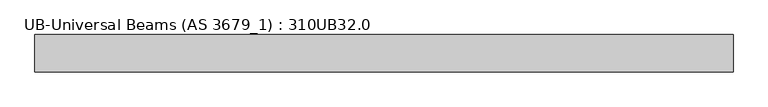
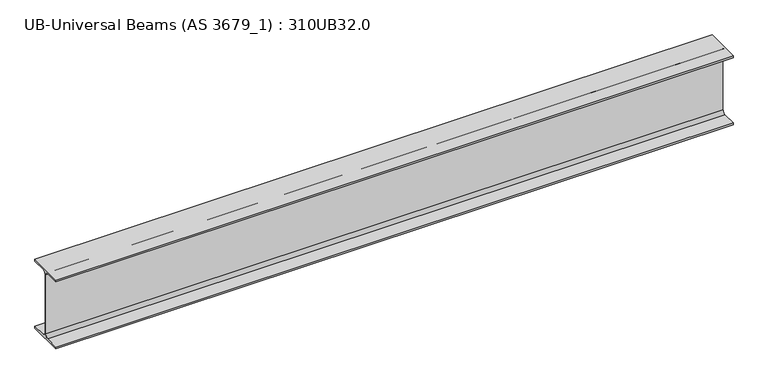
"""IFC4 building model written with IfcOpenShell, lengths in millimetres: beam geometry, UB-Universal Beams (AS 3679_1) : 310UB32.0."""

import ifcopenshell
import ifcopenshell.guid

model = None  # the IFC model being written
_history = None  # IfcOwnerHistory: only IFC2X3 demands one
_inside = {}  # id of a spatial element -> (the spatial element, [elements in it])
_under = {}  # id of a project, library or spatial element -> (it, [spatial elements below it])
_declared = {}  # id of a project -> (the project, [libraries it declares])
_typed = {}  # id of a type object -> (the type object, [elements of that type])
_made_of = {}  # id of a material, layer set ... -> (it, [elements and type objects made of it])


def new_model(schema):
    """Start an empty IFC model of exactly this schema.

    Asked for "IFC4X3", IfcOpenShell would pick the latest addendum, in which some entities
    have other attributes; the version numbers below select the first issue.
    IFC2X3 requires an IfcOwnerHistory on every rooted entity: one is made here for all.
    """
    global model, _history
    if schema == "IFC4X3":
        model = ifcopenshell.file(schema_version=(4, 3, 0, 0))
    else:
        model = ifcopenshell.file(schema=schema)
    _inside.clear()
    _under.clear()
    _declared.clear()
    _typed.clear()
    _made_of.clear()
    _history = None
    if model.schema == "IFC2X3":
        org = make("IfcOrganization", Name="unknown")
        user = make(
            "IfcPersonAndOrganization",
            ThePerson=make("IfcPerson", FamilyName="unknown"),
            TheOrganization=org,
        )
        app = make(
            "IfcApplication",
            ApplicationDeveloper=org,
            Version="unknown",
            ApplicationFullName="unknown",
            ApplicationIdentifier="unknown",
        )
        _history = make(
            "IfcOwnerHistory",
            OwningUser=user,
            OwningApplication=app,
            ChangeAction="ADDED",
            CreationDate=0,
        )
    return model


def make(cls, **values):
    """One entity of the class cls with the attributes given. An attribute that is None is left unset."""
    return model.create_entity(
        cls, **{name: value for name, value in values.items() if value is not None}
    )


def rooted(cls, **values):
    """An entity with a GlobalId (a new one), such as an element, a storey or a relation."""
    return make(cls, GlobalId=ifcopenshell.guid.new(), OwnerHistory=_history, **values)


def si_unit(unit_type, name, prefix=None):
    """IfcSIUnit, for example si_unit("LENGTHUNIT", "METRE", prefix="MILLI")."""
    return make("IfcSIUnit", UnitType=unit_type, Prefix=prefix, Name=name)


def assignment(units):
    """IfcUnitAssignment: the units of a project."""
    return None if units is None else make("IfcUnitAssignment", Units=units)


def point(xyz):
    """IfcCartesianPoint."""
    return None if xyz is None else make("IfcCartesianPoint", Coordinates=xyz)


def direction(xyz):
    """IfcDirection."""
    return None if xyz is None else make("IfcDirection", DirectionRatios=xyz)


def frame(location, z_axis=None, x_axis=None):
    """IfcAxis2Placement3D, a coordinate frame: its origin and axes. An axis left out is left unset."""
    return make(
        "IfcAxis2Placement3D",
        Location=point(location),
        Axis=direction(z_axis),
        RefDirection=direction(x_axis),
    )


def frame_2d(location, x_axis=None):
    """IfcAxis2Placement2D, a coordinate frame in the plane: its origin and x axis."""
    return make(
        "IfcAxis2Placement2D", Location=point(location), RefDirection=direction(x_axis)
    )


def origin():
    """The frame at (0, 0, 0) with its axes left unset."""
    return frame((0.0, 0.0, 0.0))


def place(relative_to, where):
    """IfcLocalPlacement: puts the frame where relative to a parent placement (None: the world)."""
    return make(
        "IfcLocalPlacement", PlacementRelTo=relative_to, RelativePlacement=where
    )


def context(
    kind, dimensions, precision=None, world=None, true_north=None, identifier=None
):
    """IfcGeometricRepresentationContext, for example the 3D "Model" context."""
    return make(
        "IfcGeometricRepresentationContext",
        ContextIdentifier=identifier,
        ContextType=kind,
        CoordinateSpaceDimension=dimensions,
        Precision=precision,
        WorldCoordinateSystem=world,
        TrueNorth=true_north,
    )


def project(units=None, contexts=None):
    """IfcProject with its units and contexts."""
    return rooted(
        "IfcProject",
        Name="project",
        RepresentationContexts=contexts,
        UnitsInContext=assignment(units),
    )


def spatial(cls, under=None, at=None, **own):
    """A site, building, storey or space (cls), placed at a placement, below another one or the project."""
    s = rooted(cls, ObjectPlacement=at, **own)
    if under is not None:
        _under.setdefault(under.id(), (under, []))[1].append(s)
    return s


def polyline(points):
    """IfcPolyline through the points."""
    return make("IfcPolyline", Points=[point(p) for p in points])


def circle_curve(where, radius):
    """IfcCircle in the frame where."""
    return make("IfcCircle", Position=where, Radius=radius)


def trimmed(basis, trim1, trim2, sense, master):
    """IfcTrimmedCurve: the piece of a basis curve between two trims."""
    return make(
        "IfcTrimmedCurve",
        BasisCurve=basis,
        Trim1=trim1,
        Trim2=trim2,
        SenseAgreement=sense,
        MasterRepresentation=master,
    )


def segment(curve, same_sense, transition):
    """IfcCompositeCurveSegment."""
    return make(
        "IfcCompositeCurveSegment",
        Transition=transition,
        SameSense=same_sense,
        ParentCurve=curve,
    )


def composite_curve(segments, self_intersect=None):
    """IfcCompositeCurve: segments joined end to end."""
    return make("IfcCompositeCurve", Segments=segments, SelfIntersect=self_intersect)


def outline(outer, holes=None, kind="AREA"):
    """IfcArbitraryClosedProfileDef: a profile drawn as a closed curve; with holes, ...WithVoids."""
    if holes is None:
        return make("IfcArbitraryClosedProfileDef", ProfileType=kind, OuterCurve=outer)
    return make(
        "IfcArbitraryProfileDefWithVoids",
        ProfileType=kind,
        OuterCurve=outer,
        InnerCurves=holes,
    )


def extrude(swept, where, along, depth):
    """IfcExtrudedAreaSolid: the profile swept, set in the frame where, extruded along a direction by depth."""
    return make(
        "IfcExtrudedAreaSolid",
        SweptArea=swept,
        Position=where,
        ExtrudedDirection=direction(along),
        Depth=depth,
    )


def shape(context_of_items, identifier, shape_type, items):
    """IfcShapeRepresentation: the items that make up one representation, for example the "Body"."""
    return make(
        "IfcShapeRepresentation",
        ContextOfItems=context_of_items,
        RepresentationIdentifier=identifier,
        RepresentationType=shape_type,
        Items=items,
    )


def source(mapping_origin, context_of_items, identifier, shape_type, items):
    """IfcRepresentationMap: a shape defined once, which mapped items show again and again."""
    return make(
        "IfcRepresentationMap",
        MappingOrigin=mapping_origin,
        MappedRepresentation=shape(context_of_items, identifier, shape_type, items),
    )


def transform(
    local_origin,
    x_axis=None,
    y_axis=None,
    z_axis=None,
    scale=None,
    scale2=None,
    scale3=None,
    uniform=True,
):
    """IfcCartesianTransformationOperator3D, or its non-uniform kind. x_axis, y_axis, z_axis: its Axis1, 2, 3."""
    if uniform:
        return make(
            "IfcCartesianTransformationOperator3D",
            Axis1=direction(x_axis),
            Axis2=direction(y_axis),
            LocalOrigin=point(local_origin),
            Scale=scale,
            Axis3=direction(z_axis),
        )
    return make(
        "IfcCartesianTransformationOperator3DnonUniform",
        Axis1=direction(x_axis),
        Axis2=direction(y_axis),
        LocalOrigin=point(local_origin),
        Scale=scale,
        Axis3=direction(z_axis),
        Scale2=scale2,
        Scale3=scale3,
    )


def mapped(mapping_source, mapping_target):
    """IfcMappedItem: shows the shape of a source again, moved by a transform."""
    return make(
        "IfcMappedItem", MappingSource=mapping_source, MappingTarget=mapping_target
    )


def made_of(thing, what):
    """Note that an element or type object is made of a material, layer set ...; save() writes the relation."""
    if what is not None:
        _made_of.setdefault(what.id(), (what, []))[1].append(thing)
    return thing


def element(
    cls,
    number,
    at=None,
    inside=None,
    cuts=None,
    type_object=None,
    material=None,
    context=None,
    identifier="Body",
    shape_type=None,
    held_by="IfcProductDefinitionShape",
    body=None,
    shapes=None,
    **own,
):
    """One element of the class cls, such as IfcWall. Its Tag is "e" and its number.

    at: its placement. inside: the storey or other place that contains it. cuts: it is an
    opening in that element (IfcRelVoidsElement). A single representation is given by context,
    identifier, shape_type and body (its items); several are given by shapes. held_by: the class
    of the entity that holds the representations. save() writes the other relations.
    """
    e = rooted(cls, Tag="e%d" % number, ObjectPlacement=at, **own)
    if body is not None:
        shapes = [shape(context, identifier, shape_type, body)]
    if shapes is not None:
        e.Representation = make(held_by, Representations=shapes)
    if inside is not None:
        _inside.setdefault(inside.id(), (inside, []))[1].append(e)
    if cuts is not None:
        rooted(
            "IfcRelVoidsElement", RelatingBuildingElement=cuts, RelatedOpeningElement=e
        )
    if type_object is not None:
        _typed.setdefault(type_object.id(), (type_object, []))[1].append(e)
    return made_of(e, material)


def aggregate(whole, parts):
    """IfcRelAggregates: a whole, such as a stair, and the parts it consists of."""
    return rooted("IfcRelAggregates", RelatingObject=whole, RelatedObjects=parts)


def save(model, path):
    """Write the relations noted so far, then the file.

    IfcRelAggregates (storeys below a building ...), IfcRelContainedInSpatialStructure (elements
    in a storey), IfcRelDefinesByType, IfcRelAssociatesMaterial and IfcRelDeclares: one each for
    every whole, place, type object, material and project.
    """
    for whole, parts in _under.values():
        aggregate(whole, parts)
    for where, things in _inside.values():
        rooted(
            "IfcRelContainedInSpatialStructure",
            RelatedElements=things,
            RelatingStructure=where,
        )
    for kind, things in _typed.values():
        rooted("IfcRelDefinesByType", RelatedObjects=things, RelatingType=kind)
    for what, things in _made_of.values():
        rooted("IfcRelAssociatesMaterial", RelatedObjects=things, RelatingMaterial=what)
    for by, libraries in _declared.values():
        rooted("IfcRelDeclares", RelatingContext=by, RelatedDefinitions=libraries)
    model.write(path)


def ub_universal_beams_as_3679_1_310ub32_0_37ecbd82(model_context):
    return source(origin(), model_context, "Body", "SweptSolid", [
        extrude(outline(composite_curve([segment(polyline([(74.5, -141.0), (74.5, -149.0), (-74.5, -149.0), (-74.5, -141.0), (-15.75, -141.0)]), True, "CONTINUOUS"), segment(trimmed(circle_curve(frame_2d((-15.75, -128.0)), 13.0), [point((-15.75, -141.0))], [point((-2.75, -128.0))], True, "CARTESIAN"), True, "CONTINUOUS"), segment(polyline([(-2.75, -128.0), (-2.75, 128.0)]), True, "CONTINUOUS"), segment(trimmed(circle_curve(frame_2d((-15.75, 128.0)), 13.0), [point((-2.75, 128.0))], [point((-15.75, 141.0))], True, "CARTESIAN"), True, "CONTINUOUS"), segment(polyline([(-15.75, 141.0), (-74.5, 141.0), (-74.5, 149.0), (74.5, 149.0), (74.5, 141.0), (15.75, 141.0)]), True, "CONTINUOUS"), segment(trimmed(circle_curve(frame_2d((15.75, 128.0)), 13.0), [point((15.75, 141.0))], [point((2.75, 128.0))], True, "CARTESIAN"), True, "CONTINUOUS"), segment(polyline([(2.75, 128.0), (2.75, -128.0)]), True, "CONTINUOUS"), segment(trimmed(circle_curve(frame_2d((15.75, -128.0)), 13.0), [point((2.75, -128.0))], [point((15.75, -141.0))], True, "CARTESIAN"), True, "CONTINUOUS"), segment(polyline([(15.75, -141.0), (74.5, -141.0)]), True, "CONTINUOUS")], self_intersect=False)), frame((-1750.0, 0.0, 0.0), z_axis=(1.0, 0.0, 0.0), x_axis=(0.0, 1.0, 0.0)), (0.0, 0.0, 1.0), 2771.6900505),
    ])


if __name__ == "__main__":
    model = new_model("IFC4")
    model_context = context("Model", 3, world=origin())
    ifc_project = project(units=[si_unit("LENGTHUNIT", "METRE", prefix="MILLI")], contexts=[model_context])
    site = spatial("IfcSite", under=ifc_project)
    building = spatial("IfcBuilding", under=site)
    placement = place(None, origin())
    ub_universal_beams_as_3679_1_310ub32_0_shape = ub_universal_beams_as_3679_1_310ub32_0_37ecbd82(model_context)
    element("IfcBeam", 1, ObjectType="UB-Universal Beams (AS 3679_1) : 310UB32.0", at=placement, inside=building, context=model_context, shape_type="MappedRepresentation", body=[
        mapped(ub_universal_beams_as_3679_1_310ub32_0_shape, transform((0.0, 0.0, 0.0), x_axis=(1.0, 0.0, 0.0), y_axis=(0.0, 1.0, 0.0), z_axis=(0.0, 0.0, 1.0))),
    ])
    save(model, "model.ifc")
